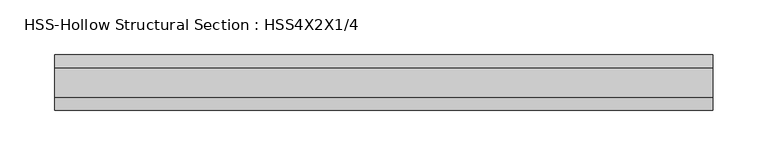
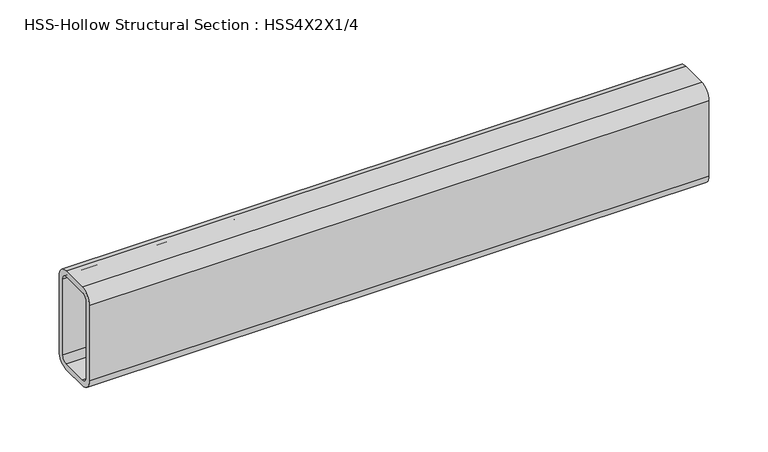
"""IFC4 building model written with IfcOpenShell, lengths in millimetres: beam geometry, HSS-Hollow Structural Section : HSS4X2X1/4."""

from ifc_helpers import new_model, si_unit, point, frame, frame_2d, origin, place, context, project, spatial, polyline, circle_curve, trimmed, segment, composite_curve, outline, extrude, source, transform, mapped, element, save


def hss_hollow_structural_section_hss4x2x1_4_0287f482(model_context):
    return source(origin(), model_context, "Body", "SweptSolid", [
        extrude(outline(composite_curve([segment(polyline([(25.4, 38.9636), (25.4, -38.9636)]), True, "CONTINUOUS"), segment(trimmed(circle_curve(frame_2d((13.5636, -38.9636)), 11.8364), [point((25.4, -38.9636))], [point((13.5636, -50.8))], False, "CARTESIAN"), True, "CONTINUOUS"), segment(polyline([(13.5636, -50.8), (-13.5636, -50.8)]), True, "CONTINUOUS"), segment(trimmed(circle_curve(frame_2d((-13.5636, -38.9636)), 11.8364), [point((-13.5636, -50.8))], [point((-25.4, -38.9636))], False, "CARTESIAN"), True, "CONTINUOUS"), segment(polyline([(-25.4, -38.9636), (-25.4, 38.9636)]), True, "CONTINUOUS"), segment(trimmed(circle_curve(frame_2d((-13.5636, 38.9636)), 11.8364), [point((-25.4, 38.9636))], [point((-13.5636, 50.8))], False, "CARTESIAN"), True, "CONTINUOUS"), segment(polyline([(-13.5636, 50.8), (13.5636, 50.8)]), True, "CONTINUOUS"), segment(trimmed(circle_curve(frame_2d((13.5636, 38.9636)), 11.8364), [point((13.5636, 50.8))], [point((25.4, 38.9636))], False, "CARTESIAN"), True, "CONTINUOUS")], self_intersect=False), holes=[composite_curve([segment(trimmed(circle_curve(frame_2d((-13.5636, 38.9636)), 5.9182), [point((-13.5636, 44.8818))], [point((-19.4818, 38.9636))], True, "CARTESIAN"), True, "CONTINUOUS"), segment(polyline([(-19.4818, 38.9636), (-19.4818, -38.9636)]), True, "CONTINUOUS"), segment(trimmed(circle_curve(frame_2d((-13.5636, -38.9636)), 5.9182), [point((-19.4818, -38.9636))], [point((-13.5636, -44.8818))], True, "CARTESIAN"), True, "CONTINUOUS"), segment(polyline([(-13.5636, -44.8818), (13.5636, -44.8818)]), True, "CONTINUOUS"), segment(trimmed(circle_curve(frame_2d((13.5636, -38.9636)), 5.9182), [point((13.5636, -44.8818))], [point((19.4818, -38.9636))], True, "CARTESIAN"), True, "CONTINUOUS"), segment(polyline([(19.4818, -38.9636), (19.4818, 38.9636)]), True, "CONTINUOUS"), segment(trimmed(circle_curve(frame_2d((13.5636, 38.9636)), 5.9182), [point((19.4818, 38.9636))], [point((13.5636, 44.8818))], True, "CARTESIAN"), True, "CONTINUOUS"), segment(polyline([(13.5636, 44.8818), (-13.5636, 44.8818)]), True, "CONTINUOUS")], self_intersect=False)]), frame((-314.325, 0.0, 0.0), z_axis=(1.0, 0.0, 0.0), x_axis=(0.0, 1.0, 0.0)), (0.0, 0.0, 1.0), 603.2500006),
    ])


if __name__ == "__main__":
    model = new_model("IFC4")
    model_context = context("Model", 3, world=origin())
    ifc_project = project(units=[si_unit("LENGTHUNIT", "METRE", prefix="MILLI")], contexts=[model_context])
    site = spatial("IfcSite", under=ifc_project)
    building = spatial("IfcBuilding", under=site)
    placement = place(None, origin())
    hss_hollow_structural_section_hss4x2x1_4_shape = hss_hollow_structural_section_hss4x2x1_4_0287f482(model_context)
    element("IfcBeam", 1, ObjectType="HSS-Hollow Structural Section : HSS4X2X1/4", at=placement, inside=building, context=model_context, shape_type="MappedRepresentation", body=[
        mapped(hss_hollow_structural_section_hss4x2x1_4_shape, transform((0.0, 0.0, 0.0), x_axis=(1.0, 0.0, 0.0), y_axis=(0.0, 1.0, 0.0), z_axis=(0.0, 0.0, 1.0))),
    ])
    save(model, "model.ifc")
